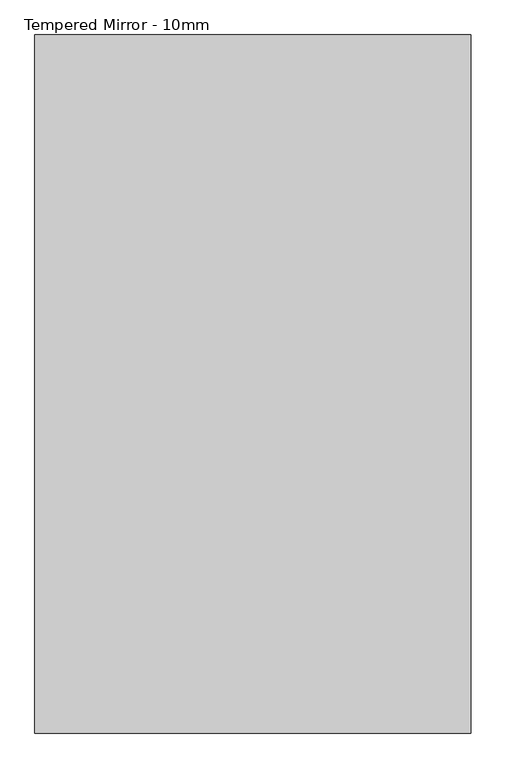
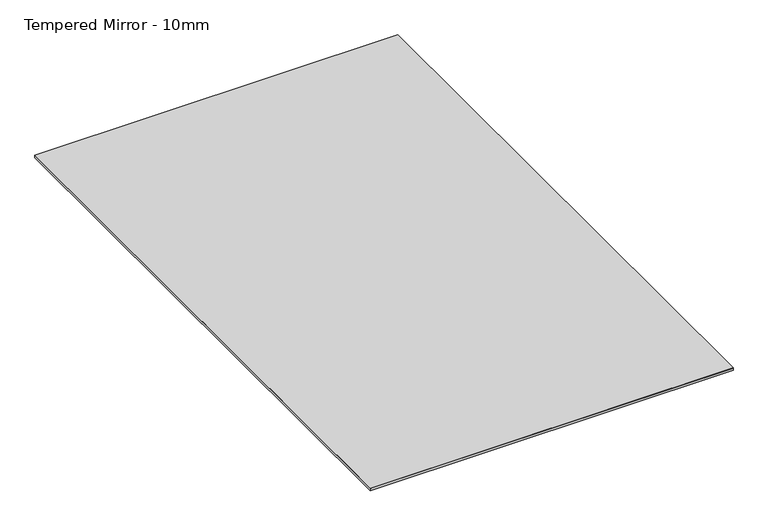
"""IFC4 building model written with IfcOpenShell, lengths in millimetres: proxy geometry, Tempered Mirror - 10mm."""

from ifc_helpers import new_model, si_unit, frame, origin, origin_with_axes, place, context, project, spatial, polyline, outline, extrude, source, transform, mapped, element, save


def tempered_mirror_10mm_a4e226ff(model_context):
    return source(origin(), model_context, "Body", "SweptSolid", [
        extrude(outline(polyline([(762.0, -1219.2), (-762.0, -1219.2), (-762.0, 1219.2), (762.0, 1219.2), (762.0, -1219.2)])), frame((0.0, 0.0, 10.0210937), z_axis=(0.0, 0.0, 1.0), x_axis=(1.0, 0.0, 0.0)), (0.0, 0.0, 1.0), 0.9921875),
        extrude(outline(polyline([(762.0, 1219.2), (762.0, -1219.2), (-762.0, -1219.2), (-762.0, 1219.2), (762.0, 1219.2)])), origin_with_axes(), (0.0, 0.0, 1.0), 10.0210938),
    ])


if __name__ == "__main__":
    model = new_model("IFC4")
    model_context = context("Model", 3, world=origin())
    ifc_project = project(units=[si_unit("LENGTHUNIT", "METRE", prefix="MILLI")], contexts=[model_context])
    site = spatial("IfcSite", under=ifc_project)
    building = spatial("IfcBuilding", under=site)
    placement = place(None, origin())
    tempered_mirror_10mm_shape = tempered_mirror_10mm_a4e226ff(model_context)
    element("IfcBuildingElementProxy", 1, Name="Tempered Mirror - 10mm", ObjectType="Tempered Mirror - 10mm", at=placement, inside=building, context=model_context, shape_type="MappedRepresentation", body=[
        mapped(tempered_mirror_10mm_shape, transform((0.0, 0.0, 0.0), x_axis=(1.0, 0.0, 0.0), y_axis=(0.0, 1.0, 0.0), z_axis=(0.0, 0.0, 1.0))),
    ])
    save(model, "model.ifc")
